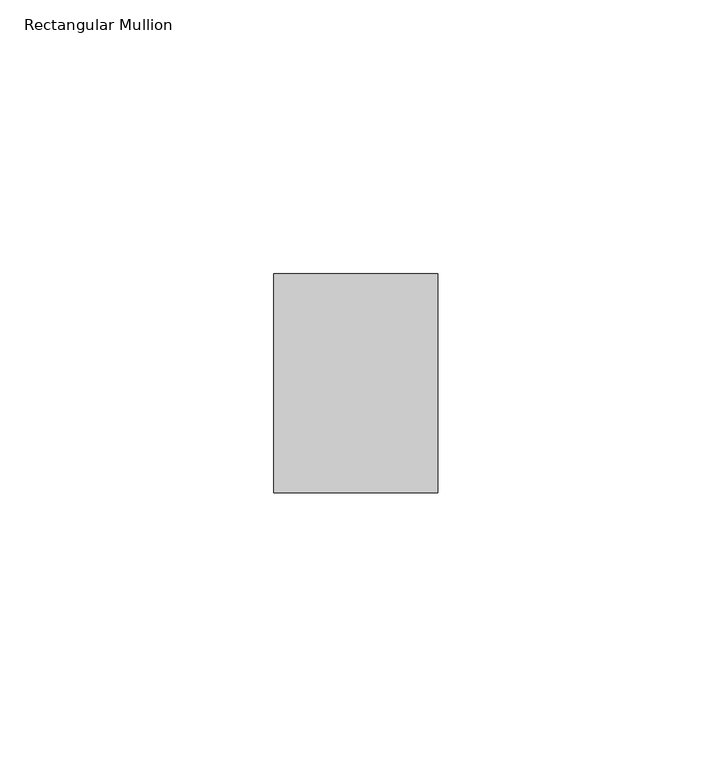
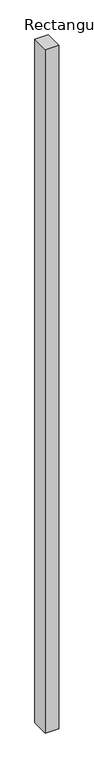
"""IFC4 building model written with IfcOpenShell, lengths in millimetres: member geometry, Rectangular Mullion."""

from ifc_helpers import new_model, si_unit, frame, origin, place, context, project, spatial, polyline, outline, extrude, source, transform, mapped, element, save


def rectangular_mullion_635f513a(model_context):
    return source(origin(), model_context, "Body", "SweptSolid", [
        extrude(outline(polyline([(0.0, 20.0), (0.0, -20.0), (-30.0, -20.0), (-30.0, 20.0), (0.0, 20.0)])), frame((0.0, 0.0, -1599.9999998), z_axis=(0.0, 0.0, 1.0), x_axis=(1.0, 0.0, 0.0)), (0.0, 0.0, 1.0), 1599.9999998),
    ])


if __name__ == "__main__":
    model = new_model("IFC4")
    model_context = context("Model", 3, world=origin())
    ifc_project = project(units=[si_unit("LENGTHUNIT", "METRE", prefix="MILLI")], contexts=[model_context])
    site = spatial("IfcSite", under=ifc_project)
    building = spatial("IfcBuilding", under=site)
    placement = place(None, origin())
    rectangular_mullion_shape = rectangular_mullion_635f513a(model_context)
    element("IfcMember", 1, ObjectType="Rectangular Mullion", at=placement, inside=building, context=model_context, shape_type="MappedRepresentation", body=[
        mapped(rectangular_mullion_shape, transform((0.0, 0.0, 0.0), x_axis=(1.0, 0.0, 0.0), y_axis=(0.0, 1.0, 0.0), z_axis=(0.0, 0.0, 1.0))),
    ])
    save(model, "model.ifc")
